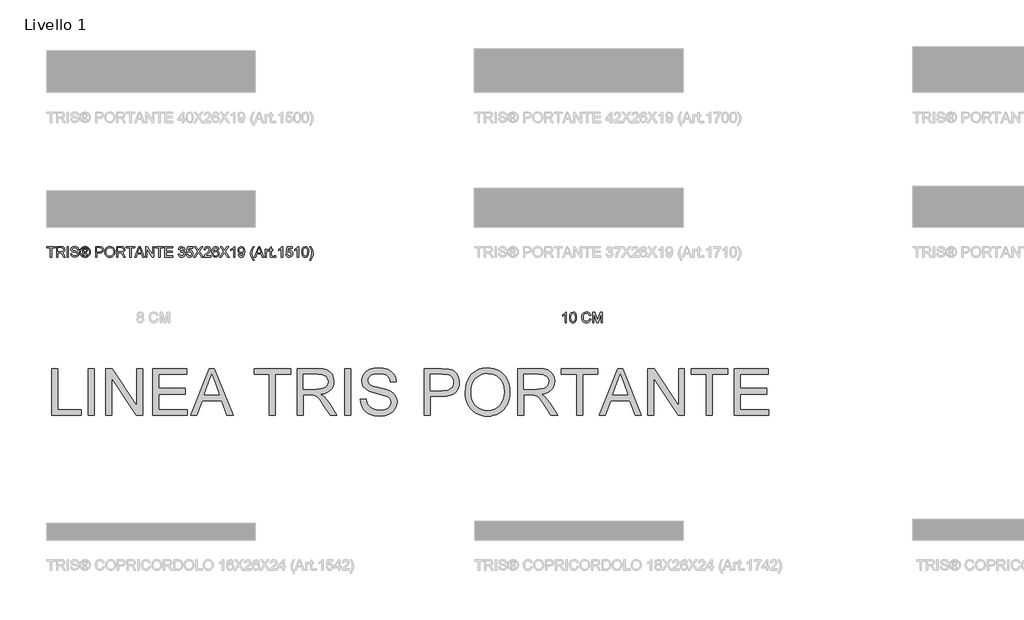
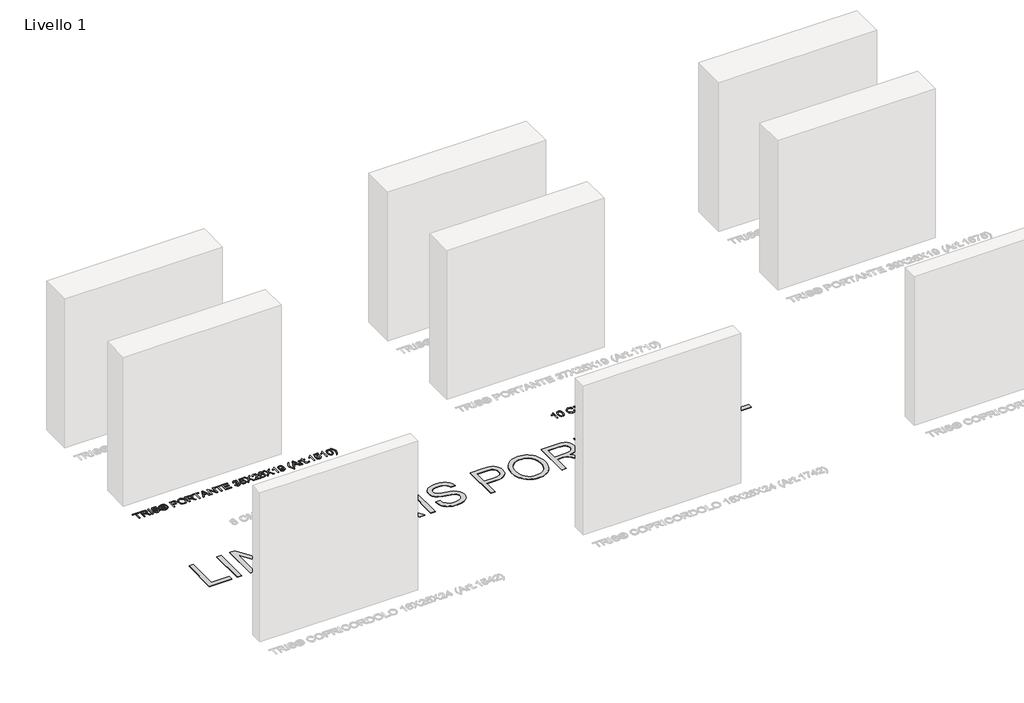
# One storey, part 4 of 19: 3 proxies.
"""IFC4 building model written with IfcOpenShell, lengths in millimetres."""

from ifc_helpers import new_model, si_unit, origin, origin_with_axes, place, context, project, spatial, polyline, outline, extrude, element, save

model = new_model("IFC4")

# Units and contexts
model_context = context("Model", 3, world=origin())
ifc_project = project(units=[si_unit("LENGTHUNIT", "METRE", prefix="MILLI")], contexts=[model_context])

# Site, building, storey
site = spatial("IfcSite", under=ifc_project)
building = spatial("IfcBuilding", under=site)
storey = spatial("IfcBuildingStorey", under=building, Name="Livello 1", Elevation=0.0)

# Proxies
placement = place(None, origin())
element("IfcBuildingElementProxy", 1, Name="100", ObjectType="100", at=placement, inside=storey, context=model_context, shape_type="SweptSolid", body=[
    extrude(outline(polyline([(-5200.6104208, -56.1057849), (-5200.6104208, 31.7934865), (-5233.5726476, 31.7934865), (-5233.5726476, 44.3505252), (-5155.0911553, 44.3505252), (-5155.0911553, 31.7934865), (-5188.053382, 31.7934865), (-5188.053382, -56.1057849), (-5200.6104208, -56.1057849)])), origin_with_axes(), (0.0, 0.0, 1.0), 5.0),
    extrude(outline(polyline([(-5140.9644866, -56.1057849), (-5140.9644866, 44.3505252), (-5097.6770385, 44.3505252), (-5077.5784189, 41.6404612), (-5066.59101, 32.0510039), (-5062.4829943, 16.8574775), (-5064.1844486, 6.9614518), (-5069.2888112, -1.2423167), (-5077.9493666, -7.2571873), (-5090.3193986, -10.5865194), (-5083.1824879, -15.9575965), (-5073.0044194, -28.8825173), (-5056.2535259, -56.1057849), (-5070.8461784, -56.1057849), (-5083.9182519, -35.283664), (-5093.3605565, -21.5003519), (-5099.9946951, -14.9888406), (-5105.9666462, -12.5976076), (-5113.2507097, -12.1561492), (-5128.4074479, -12.1561492), (-5128.4074479, -56.1057849), (-5140.9644866, -56.1057849)]), holes=[polyline([(-5128.4074479, 0.4008895), (-5100.3012634, 0.4008895), (-5085.9661284, 2.1789858), (-5077.8236735, 7.868894), (-5075.0400331, 16.3914936), (-5080.3497966, 27.4524789), (-5097.1374783, 31.7934865), (-5128.4074479, 31.7934865), (-5128.4074479, 0.4008895)])]), origin_with_axes(), (0.0, 0.0, 1.0), 5.0),
    extrude(outline(polyline([(-5038.9385466, -56.1057849), (-5038.9385466, 44.3505252), (-5026.3815079, 44.3505252), (-5026.3815079, -56.1057849), (-5038.9385466, -56.1057849)])), origin_with_axes(), (0.0, 0.0, 1.0), 5.0),
    extrude(outline(polyline([(-5005.9763199, -21.5739283), (-4993.4192811, -21.5739283), (-4989.3725792, -34.1432298), (-4979.4888162, -42.0894809), (-4964.4301799, -45.118376), (-4951.3090554, -42.8252449), (-4942.8355068, -36.5222), (-4940.0518663, -28.0977024), (-4942.136531, -20.2618159), (-4950.6713933, -14.5596449), (-4968.9551284, -9.7649163), (-4988.6368152, -3.572236), (-4999.3176558, 5.7719667), (-5002.8370602, 18.255429), (-4998.4837899, 32.4679368), (-4985.7673356, 42.4988525), (-4967.1525067, 45.9201551), (-4947.2868789, 42.339437), (-4934.0431271, 31.8180119), (-4929.0644574, 16.097188), (-4941.6214962, 16.097188), (-4943.92689, 23.589718), (-4948.7338814, 28.9975833), (-4966.6619973, 33.3631163), (-4984.6391642, 29.0466342), (-4990.2800214, 18.623311), (-4986.2823704, 9.9167705), (-4965.7790805, 2.9024871), (-4943.559008, -3.4005578), (-4931.4066395, -13.5786263), (-4927.4948276, -27.7788713), (-4931.9952506, -42.8007194), (-4944.9446969, -53.7636029), (-4963.9396706, -57.6754148), (-4986.3682095, -53.4570346), (-5000.5561918, -40.752843), (-5005.9763199, -21.5739283)])), origin_with_axes(), (0.0, 0.0, 1.0), 5.0),
    extrude(outline(polyline([(-4891.3933411, -37.2702268), (-4891.3933411, 25.5149671), (-4871.1107804, 25.5149671), (-4856.0521441, 23.7859217), (-4848.6331905, 17.752657), (-4845.8740756, 8.5923953), (-4850.632016, -3.3269814), (-4863.2381058, -9.0168895), (-4858.3330125, -12.352353), (-4849.7736247, -24.8848663), (-4842.7348159, -37.2702268), (-4853.3298173, -37.2702268), (-4858.8480473, -27.3128874), (-4868.0941481, -12.8919132), (-4876.1139756, -10.5865194), (-4881.975562, -10.5865194), (-4881.975562, -37.2702268), (-4891.3933411, -37.2702268)]), holes=[polyline([(-4881.975562, -1.1687403), (-4870.0561854, -1.1687403), (-4858.4065889, 1.2224927), (-4855.2918547, 7.5623257), (-4856.7879081, 12.1240624), (-4860.9449746, 15.1161693), (-4870.8164749, 16.097188), (-4881.975562, 16.097188), (-4881.975562, -1.1687403)])]), origin_with_axes(), (0.0, 0.0, 1.0), 5.0),
    extrude(outline(polyline([(-4867.824368, 45.9201551), (-4854.930104, 44.246292), (-4842.3424084, 39.2247028), (-4831.2844888, 31.0883793), (-4822.9795527, 20.0703135), (-4817.7832196, 7.3477279), (-4816.0511085, -5.9021553), (-4817.7586941, -19.0355425), (-4822.8814509, -31.653895), (-4831.0852194, -42.6321069), (-4842.0358401, -50.8450724), (-4854.6449955, -55.9678292), (-4867.824368, -57.6754148), (-4880.9853463, -55.9678292), (-4893.5883704, -50.8450724), (-4904.5481881, -42.6321069), (-4912.7795478, -31.653895), (-4917.9298957, -19.0355425), (-4919.6466783, -5.9021553), (-4917.9053702, 7.3477279), (-4912.6814459, 20.0703135), (-4904.3489187, 31.0883793), (-4893.281802, 39.2247028), (-4880.7002378, 44.246292), (-4867.824368, 45.9201551)]), holes=[polyline([(-4867.824368, 36.502376), (-4888.6464889, 31.0209343), (-4897.6749262, 24.3592045), (-4904.5022029, 15.3368985), (-4910.2288993, -5.9021553), (-4904.6125675, -26.9572682), (-4888.8917435, -42.6413039), (-4867.824368, -48.2576357), (-4846.7447296, -42.6413039), (-4831.0606939, -26.9572682), (-4825.4688876, -5.9021553), (-4831.1587958, 15.3368985), (-4837.9676784, 24.3592045), (-4847.0145098, 31.0209343), (-4867.824368, 36.502376)])]), origin_with_axes(), (0.0, 0.0, 1.0), 5.0),
    extrude(outline(polyline([(-4765.8229534, -56.1057849), (-4765.8229534, 44.3505252), (-4728.5932955, 44.3505252), (-4713.5837101, 43.394032), (-4701.3822906, 38.6974052), (-4693.4728277, 28.9853206), (-4690.4807208, 15.2878476), (-4692.5010061, 3.4481787), (-4698.561862, -6.4171901), (-4709.8956931, -13.0758542), (-4727.7349042, -15.2954089), (-4753.2659147, -15.2954089), (-4753.2659147, -56.1057849), (-4765.8229534, -56.1057849)]), holes=[polyline([(-4753.2659147, -2.7383702), (-4726.9991402, -2.7383702), (-4708.5069386, 1.8724175), (-4704.4050543, 7.4213043), (-4703.0377596, 14.8463892), (-4706.2628584, 25.2451869), (-4714.736407, 30.9350951), (-4727.2934458, 31.7934865), (-4753.2659147, 31.7934865), (-4753.2659147, -2.7383702)])]), origin_with_axes(), (0.0, 0.0, 1.0), 5.0),
    extrude(outline(polyline([(-4677.923682, -7.202005), (-4674.5759559, 15.0119361), (-4664.5327774, 31.8180119), (-4649.1982296, 42.3946193), (-4629.9763953, 45.9201551), (-4616.8000885, 44.2646861), (-4604.9849451, 39.2982792), (-4595.1747586, 31.3704222), (-4588.0133224, 20.830603), (-4583.6355267, 8.1877251), (-4582.1762614, -6.0493081), (-4583.7121688, -20.4764137), (-4588.3198908, -33.2971012), (-4595.7449757, -43.8553145), (-4605.7329719, -51.4949973), (-4617.4469477, -56.1303104), (-4630.0499717, -57.6754148), (-4643.4286136, -55.9678292), (-4655.3112021, -50.8450724), (-4665.0968631, -42.7700626), (-4672.1847229, -32.205718), (-4677.923682, -7.202005)]), holes=[polyline([(-4665.3666433, -7.3246324), (-4662.8558487, -23.0393249), (-4655.3234648, -35.0138839), (-4644.0018964, -42.592253), (-4630.1235481, -45.118376), (-4616.0428648, -42.5677275), (-4604.7029023, -34.915782), (-4597.2257007, -22.5733411), (-4594.7333002, -5.9512062), (-4599.0007313, 14.7728128), (-4611.471931, 28.4948112), (-4629.9028189, 33.3631163), (-4643.4102195, 31.0178686), (-4654.8942691, 23.9821254), (-4662.7485497, 11.4649405), (-4665.3666433, -7.3246324)])]), origin_with_axes(), (0.0, 0.0, 1.0), 5.0),
    extrude(outline(polyline([(-4564.9103331, -56.1057849), (-4564.9103331, 44.3505252), (-4521.622885, 44.3505252), (-4501.5242654, 41.6404612), (-4490.5368564, 32.0510039), (-4486.4288408, 16.8574775), (-4488.1302951, 6.9614518), (-4493.2346577, -1.2423167), (-4501.895213, -7.2571873), (-4514.2652451, -10.5865194), (-4507.1283344, -15.9575965), (-4496.9502659, -28.8825173), (-4480.1993724, -56.1057849), (-4494.7920248, -56.1057849), (-4507.8640984, -35.283664), (-4517.306403, -21.5003519), (-4523.9405416, -14.9888406), (-4529.9124927, -12.5976076), (-4537.1965562, -12.1561492), (-4552.3532944, -12.1561492), (-4552.3532944, -56.1057849), (-4564.9103331, -56.1057849)]), holes=[polyline([(-4552.3532944, 0.4008895), (-4524.2471099, 0.4008895), (-4509.9119749, 2.1789858), (-4501.76952, 7.868894), (-4498.9858796, 16.3914936), (-4504.2956431, 27.4524789), (-4521.0833248, 31.7934865), (-4552.3532944, 31.7934865), (-4552.3532944, 0.4008895)])]), origin_with_axes(), (0.0, 0.0, 1.0), 5.0),
    extrude(outline(polyline([(-4439.3399454, -56.1057849), (-4439.3399454, 31.7934865), (-4472.3021722, 31.7934865), (-4472.3021722, 44.3505252), (-4393.8206799, 44.3505252), (-4393.8206799, 31.7934865), (-4426.7829067, 31.7934865), (-4426.7829067, -56.1057849), (-4439.3399454, -56.1057849)])), origin_with_axes(), (0.0, 0.0, 1.0), 5.0),
    extrude(outline(polyline([(-4391.3926587, -56.1057849), (-4351.2935213, 44.3505252), (-4340.6004179, 44.3505252), (-4300.5012805, -56.1057849), (-4313.7695578, -56.1057849), (-4325.2720015, -24.713188), (-4366.6464632, -24.713188), (-4378.1243814, -56.1057849), (-4391.3926587, -56.1057849)]), holes=[polyline([(-4362.0356755, -12.1561492), (-4329.8582637, -12.1561492), (-4338.9081608, 12.5409954), (-4345.9469696, 31.7934865), (-4352.2009635, 14.6992364), (-4362.0356755, -12.1561492)])]), origin_with_axes(), (0.0, 0.0, 1.0), 5.0),
    extrude(outline(polyline([(-4287.0858504, -56.1057849), (-4287.0858504, 44.3505252), (-4273.6458948, 44.3505252), (-4221.1613968, -35.2346131), (-4221.1613968, 44.3505252), (-4208.6043581, 44.3505252), (-4208.6043581, -56.1057849), (-4222.0443136, -56.1057849), (-4274.5288116, 23.5038788), (-4274.5288116, -56.1057849), (-4287.0858504, -56.1057849)])), origin_with_axes(), (0.0, 0.0, 1.0), 5.0),
    extrude(outline(polyline([(-4161.5154627, -56.1057849), (-4161.5154627, 31.7934865), (-4194.4776895, 31.7934865), (-4194.4776895, 44.3505252), (-4115.9961971, 44.3505252), (-4115.9961971, 31.7934865), (-4148.9584239, 31.7934865), (-4148.9584239, -56.1057849), (-4161.5154627, -56.1057849)])), origin_with_axes(), (0.0, 0.0, 1.0), 5.0),
    extrude(outline(polyline([(-4101.8695285, -56.1057849), (-4101.8695285, 44.3505252), (-4029.6665556, 44.3505252), (-4029.6665556, 31.7934865), (-4089.3124898, 31.7934865), (-4089.3124898, 1.9705194), (-4032.8058153, 1.9705194), (-4032.8058153, -10.5865194), (-4089.3124898, -10.5865194), (-4089.3124898, -43.5487462), (-4028.0969258, -43.5487462), (-4028.0969258, -56.1057849), (-4101.8695285, -56.1057849)])), origin_with_axes(), (0.0, 0.0, 1.0), 5.0),
    extrude(outline(polyline([(-3974.729511, -29.4220775), (-3962.1724722, -27.8524477), (-3955.244028, -41.0716741), (-3942.282319, -45.118376), (-3933.6738803, -43.7265558), (-3927.027479, -39.5510951), (-3921.3620962, -25.7677831), (-3926.978428, -12.7815486), (-3941.2522494, -7.6434634), (-3950.0568919, -9.0168895), (-3948.6589403, 3.5401492), (-3946.647852, 3.3929964), (-3932.3985561, 6.99824), (-3927.6528784, 11.5722395), (-3926.0709858, 18.0837508), (-3930.657248, 27.9062), (-3942.4785228, 31.7934865), (-3954.4469503, 27.8694118), (-3960.6028424, 16.097188), (-3973.1598812, 17.6668178), (-3969.4626671, 28.942401), (-3962.8837108, 37.3607673), (-3953.8828646, 42.6030857), (-3942.9199812, 44.3505252), (-3927.7755057, 40.9046972), (-3917.1805042, 31.4869181), (-3913.513947, 18.8195148), (-3916.9965632, 7.2434946), (-3927.2972591, -1.0706384), (-3913.6120489, -9.6545517), (-3908.8050575, -25.9885123), (-3911.2085532, -38.22672), (-3918.4190403, -48.4538394), (-3929.302216, -55.3700209), (-3942.7237774, -57.6754148), (-3954.8638833, -55.7072461), (-3964.7476462, -49.8027401), (-3971.6209081, -40.7712371), (-3974.729511, -29.4220775)])), origin_with_axes(), (0.0, 0.0, 1.0), 5.0),
    extrude(outline(polyline([(-3897.8176485, -29.4220775), (-3885.2606098, -27.8524477), (-3878.9330395, -40.7896312), (-3865.811915, -45.118376), (-3856.8110688, -43.6131255), (-3850.0665656, -39.097374), (-3845.8543167, -32.0922877), (-3844.4502338, -23.1190327), (-3849.7109463, -8.2075492), (-3856.3174938, -4.1056649), (-3865.6157112, -2.7383702), (-3876.6399084, -4.9211367), (-3883.6909799, -10.5865194), (-3896.2480187, -9.0168895), (-3885.2606098, 42.7808954), (-3836.6020845, 42.7808954), (-3836.6020845, 30.2238566), (-3875.1070667, 30.2238566), (-3880.4781438, 2.5591306), (-3871.5079545, 8.0037841), (-3862.1085695, 9.8186686), (-3850.3761996, 7.5684571), (-3840.6365238, 0.8178225), (-3834.0790272, -9.4706107), (-3831.893195, -22.3342178), (-3833.8613637, -34.8912565), (-3839.7658697, -45.6334108), (-3851.0721097, -54.6649138), (-3865.8609659, -57.6754148), (-3878.1942098, -55.7409686), (-3888.0197247, -49.9376301), (-3894.7550309, -40.9398497), (-3897.8176485, -29.4220775)])), origin_with_axes(), (0.0, 0.0, 1.0), 5.0),
    extrude(outline(polyline([(-3827.1843055, -56.1057849), (-3788.4585941, -1.364944), (-3820.9057861, 44.3505252), (-3805.8471497, 44.3505252), (-3787.5756773, 18.623311), (-3781.4197853, 8.5923953), (-3774.2092982, 18.7949893), (-3756.1340295, 44.3505252), (-3740.8546639, 44.3505252), (-3773.3018559, -1.5120968), (-3734.5761445, -56.1057849), (-3749.6347809, -56.1057849), (-3775.4355715, -19.7099929), (-3780.8066486, -12.1561492), (-3786.717286, -20.4457569), (-3811.9049399, -56.1057849), (-3827.1843055, -56.1057849)])), origin_with_axes(), (0.0, 0.0, 1.0), 5.0),
    extrude(outline(polyline([(-3662.3731716, -43.5487462), (-3662.3731716, -56.1057849), (-3728.2976252, -56.1057849), (-3726.9487245, -47.4482953), (-3719.3213045, -34.1187043), (-3703.6004806, -19.5628401), (-3681.9199683, 1.3573827), (-3676.4998402, 15.5821532), (-3681.6134, 27.0968597), (-3694.9675164, 31.7934865), (-3708.8857186, 27.2072242), (-3714.1709565, 14.5275581), (-3726.7279953, 16.097188), (-3723.6837718, 28.2434252), (-3717.1017498, 37.1155127), (-3707.3252858, 42.5417721), (-3694.6977363, 44.3505252), (-3681.9782163, 42.339437), (-3672.2201464, 36.3061723), (-3666.0121377, 27.2930634), (-3663.9428015, 16.3424427), (-3666.1746189, 4.4353287), (-3673.5935725, -7.8764554), (-3691.583002, -25.08107), (-3706.0285017, -37.1598622), (-3711.6938844, -43.5487462), (-3662.3731716, -43.5487462)])), origin_with_axes(), (0.0, 0.0, 1.0), 5.0),
    extrude(outline(polyline([(-3585.4613092, 17.6668178), (-3598.0183479, 16.097188), (-3602.7762884, 26.5695621), (-3615.3578526, 31.7934865), (-3626.6886181, 28.7523286), (-3635.2602686, 17.335724), (-3638.8287239, -5.043764), (-3627.7554759, 4.974889), (-3614.0334775, 8.2490388), (-3602.4329319, 6.01109), (-3592.6963217, -0.7027565), (-3586.0928399, -10.9605328), (-3583.8916793, -23.8302712), (-3588.0364831, -41.1575132), (-3599.440825, -53.4202464), (-3615.8974129, -57.6754148), (-3630.1436432, -54.8549861), (-3641.489737, -46.3937003), (-3648.9117563, -31.4576912), (-3651.3857627, -9.2130933), (-3648.6389105, 15.796751), (-3640.3983538, 32.8971324), (-3629.1472961, 41.487177), (-3614.5730377, 44.3505252), (-3603.554972, 42.5785603), (-3594.7319354, 37.2626655), (-3588.5515179, 28.8197737), (-3585.4613092, 17.6668178)]), holes=[polyline([(-3638.8287239, -23.6340675), (-3635.9224562, -34.5111118), (-3628.1969343, -42.408312), (-3616.8784316, -45.118376), (-3608.5918896, -43.7142931), (-3602.0773126, -39.5020442), (-3597.8558667, -32.8801683), (-3596.4487181, -24.2472041), (-3597.8374726, -15.9606622), (-3602.0037362, -9.6422889), (-3608.6286778, -5.6415722), (-3617.3934664, -4.308), (-3632.5869928, -9.6422889), (-3637.2682911, -15.807378), (-3638.8287239, -23.6340675)])]), origin_with_axes(), (0.0, 0.0, 1.0), 5.0),
    extrude(outline(polyline([(-3579.1827898, -56.1057849), (-3540.4570784, -1.364944), (-3572.9042704, 44.3505252), (-3557.8456341, 44.3505252), (-3539.5741616, 18.623311), (-3533.4182696, 8.5923953), (-3526.2077825, 18.7949893), (-3508.1325138, 44.3505252), (-3492.8531483, 44.3505252), (-3525.3003402, -1.5120968), (-3486.5746289, -56.1057849), (-3501.6332652, -56.1057849), (-3527.4340558, -19.7099929), (-3532.8051329, -12.1561492), (-3538.7157703, -20.4457569), (-3563.9034243, -56.1057849), (-3579.1827898, -56.1057849)])), origin_with_axes(), (0.0, 0.0, 1.0), 5.0),
    extrude(outline(polyline([(-3431.6375843, -56.1057849), (-3444.194623, -56.1057849), (-3444.194623, 22.1795036), (-3456.0894742, 13.705955), (-3469.3087006, 7.366122), (-3469.3087006, 19.2364477), (-3450.9023381, 30.9841461), (-3439.7309881, 44.3505252), (-3431.6375843, 44.3505252), (-3431.6375843, -56.1057849)])), origin_with_axes(), (0.0, 0.0, 1.0), 5.0),
    extrude(outline(polyline([(-3400.2449873, -30.9917074), (-3387.6879486, -29.4220775), (-3382.0470913, -41.4027679), (-3371.353988, -45.118376), (-3361.1881822, -42.727143), (-3354.2965261, -36.3382591), (-3350.1885105, -25.4244265), (-3348.373626, -10.8562995), (-3348.4472024, -8.4037529), (-3358.4903809, -17.9196338), (-3372.2614302, -21.5739283), (-3383.7117573, -19.3421109), (-3393.2429667, -12.6466586), (-3399.6717046, -2.3030431), (-3401.8146172, 10.8732637), (-3399.5674713, 24.4848975), (-3392.8260338, 35.1534753), (-3382.7000818, 42.0512628), (-3370.2993929, 44.3505252), (-3352.4080652, 39.1020754), (-3340.0962811, 24.141541), (-3335.8901636, -3.9646435), (-3340.0840184, -34.4620609), (-3345.2987457, -44.4531227), (-3352.555218, -51.7402519), (-3361.5407358, -56.1916241), (-3371.9425992, -57.6754148), (-3382.6786221, -55.9249096), (-3391.2441412, -50.6733941), (-3397.2344863, -42.2519621), (-3400.2449873, -30.9917074)]), holes=[polyline([(-3348.4472024, 11.1675693), (-3349.8022344, 19.6779061), (-3353.8673305, 26.2262056), (-3360.1765067, 30.4016662), (-3368.2637792, 31.7934865), (-3376.6514887, 30.2943673), (-3383.3714665, 25.7970099), (-3387.7860504, 18.9145509), (-3389.2575784, 10.260127), (-3387.8657582, 2.5008826), (-3383.6902975, -3.6580751), (-3377.1358667, -7.6771859), (-3368.6071357, -9.0168895), (-3354.1248479, -3.6580751), (-3349.8666138, 2.7277432), (-3348.4472024, 11.1675693)])]), origin_with_axes(), (0.0, 0.0, 1.0), 5.0),
    extrude(outline(polyline([(-3257.4086713, -84.3591222), (-3275.2386854, -54.9040371), (-3280.701733, -37.7239479), (-3282.5227489, -19.9307221), (-3277.0780953, 10.6034835), (-3257.4086713, 44.3505252), (-3247.9908923, 44.3505252), (-3259.7385906, 24.460372), (-3266.8019249, 5.1833555), (-3269.9657101, -20.0042985), (-3264.4720056, -52.193973), (-3247.9908923, -84.3591222), (-3257.4086713, -84.3591222)])), origin_with_axes(), (0.0, 0.0, 1.0), 5.0),
    extrude(outline(polyline([(-3245.5628711, -56.1057849), (-3205.4637336, 44.3505252), (-3194.7706303, 44.3505252), (-3154.6714928, -56.1057849), (-3167.9397701, -56.1057849), (-3179.4422138, -24.713188), (-3220.8166756, -24.713188), (-3232.2945938, -56.1057849), (-3245.5628711, -56.1057849)]), holes=[polyline([(-3216.2058879, -12.1561492), (-3184.028476, -12.1561492), (-3193.0783731, 12.5409954), (-3200.117182, 31.7934865), (-3206.3711759, 14.6992364), (-3216.2058879, -12.1561492)])]), origin_with_axes(), (0.0, 0.0, 1.0), 5.0),
    extrude(outline(polyline([(-3142.8256926, -56.1057849), (-3142.8256926, 17.6668178), (-3131.8382837, 17.6668178), (-3131.8382837, 6.7529853), (-3124.0391854, 16.8084265), (-3116.1910361, 19.2364477), (-3103.5849464, 15.361424), (-3107.7788012, 4.104235), (-3116.6079691, 6.6794089), (-3123.7080916, 4.2023368), (-3128.2330401, -2.6647938), (-3130.2686538, -17.3310226), (-3130.2686538, -56.1057849), (-3142.8256926, -56.1057849)])), origin_with_axes(), (0.0, 0.0, 1.0), 5.0),
    extrude(outline(polyline([(-3069.0530898, -45.6334108), (-3067.48346, -56.4736669), (-3076.8767136, -57.6754148), (-3087.3981386, -55.5907501), (-3092.6465884, -50.1215711), (-3094.1671673, -35.8722752), (-3094.1671673, 5.1097791), (-3103.5849464, 5.1097791), (-3103.5849464, 17.6668178), (-3094.1671673, 17.6668178), (-3094.1671673, 35.5949337), (-3081.6101286, 42.9770991), (-3081.6101286, 17.6668178), (-3069.0530898, 17.6668178), (-3069.0530898, 5.1097791), (-3081.6101286, 5.1097791), (-3081.6101286, -35.5043932), (-3080.947941, -41.9791163), (-3078.8019627, -44.2722474), (-3074.5222688, -45.118376), (-3069.0530898, -45.6334108)])), origin_with_axes(), (0.0, 0.0, 1.0), 5.0),
    extrude(outline(polyline([(-3053.3567913, -56.1057849), (-3053.3567913, -43.5487462), (-3040.7997526, -43.5487462), (-3040.7997526, -56.1057849), (-3053.3567913, -56.1057849)])), origin_with_axes(), (0.0, 0.0, 1.0), 5.0),
    extrude(outline(polyline([(-2973.3056692, -56.1057849), (-2985.862708, -56.1057849), (-2985.862708, 22.1795036), (-2997.7575591, 13.705955), (-3010.9767855, 7.366122), (-3010.9767855, 19.2364477), (-2992.570423, 30.9841461), (-2981.3990731, 44.3505252), (-2973.3056692, 44.3505252), (-2973.3056692, -56.1057849)])), origin_with_axes(), (0.0, 0.0, 1.0), 5.0),
    extrude(outline(polyline([(-2943.4827021, -29.4220775), (-2930.9256634, -27.8524477), (-2924.598093, -40.7896312), (-2911.4769685, -45.118376), (-2902.4761224, -43.6131255), (-2895.7316191, -39.097374), (-2891.5193703, -32.0922877), (-2890.1152874, -23.1190327), (-2895.3759999, -8.2075492), (-2901.9825474, -4.1056649), (-2911.2807648, -2.7383702), (-2922.3049619, -4.9211367), (-2929.3560335, -10.5865194), (-2941.9130723, -9.0168895), (-2930.9256634, 42.7808954), (-2882.2671381, 42.7808954), (-2882.2671381, 30.2238566), (-2920.7721203, 30.2238566), (-2926.1431974, 2.5591306), (-2917.1730081, 8.0037841), (-2907.7736231, 9.8186686), (-2896.0412532, 7.5684571), (-2886.3015773, 0.8178225), (-2879.7440808, -9.4706107), (-2877.5582486, -22.3342178), (-2879.5264173, -34.8912565), (-2885.4309233, -45.6334108), (-2896.7371633, -54.6649138), (-2911.5260195, -57.6754148), (-2923.8592634, -55.7409686), (-2933.6847783, -49.9376301), (-2940.4200845, -40.9398497), (-2943.4827021, -29.4220775)])), origin_with_axes(), (0.0, 0.0, 1.0), 5.0),
    extrude(outline(polyline([(-2819.4819443, -56.1057849), (-2832.038983, -56.1057849), (-2832.038983, 22.1795036), (-2843.9338342, 13.705955), (-2857.1530606, 7.366122), (-2857.1530606, 19.2364477), (-2838.7466981, 30.9841461), (-2827.5753482, 44.3505252), (-2819.4819443, 44.3505252), (-2819.4819443, -56.1057849)])), origin_with_axes(), (0.0, 0.0, 1.0), 5.0),
    extrude(outline(polyline([(-2789.6589772, -6.6869702), (-2785.9678945, 22.2162918), (-2775.0050111, 38.8813462), (-2756.6967504, 44.3505252), (-2742.0305216, 41.1131637), (-2731.901504, 31.7812237), (-2726.015392, 16.9187911), (-2723.7345237, -6.6869702), (-2727.3888182, -35.467605), (-2738.3149134, -52.1694476), (-2746.5462731, -56.298923), (-2756.6967504, -57.6754148), (-2769.7442985, -55.2841818), (-2779.6525869, -48.1104829), (-2787.1573796, -31.1204661), (-2789.6589772, -6.6869702)]), holes=[polyline([(-2777.1019384, -6.6624448), (-2775.6304105, -26.4146422), (-2771.2158265, -37.8465752), (-2764.6430015, -43.3004258), (-2756.6967504, -45.118376), (-2748.7504993, -43.2942944), (-2742.1776744, -37.8220498), (-2737.7630904, -26.3839854), (-2736.2915624, -6.6624448), (-2737.7140395, 12.6452286), (-2741.9814706, 24.1660664), (-2748.5420329, 29.8866314), (-2756.8439032, 31.7934865), (-2764.7043152, 30.113492), (-2771.0196228, 25.0735087), (-2775.5813595, 12.835301), (-2777.1019384, -6.6624448)])]), origin_with_axes(), (0.0, 0.0, 1.0), 5.0),
    extrude(outline(polyline([(-2706.4685954, -84.3591222), (-2715.8863744, -84.3591222), (-2699.4052611, -52.193973), (-2693.9115566, -20.0042985), (-2697.0753418, 4.9626263), (-2704.0650997, 24.2641683), (-2715.8863744, 44.3505252), (-2706.4685954, 44.3505252), (-2686.7991714, 10.6034835), (-2681.3545178, -19.9307221), (-2683.1847307, -37.7239479), (-2688.6753695, -54.9040371), (-2706.4685954, -84.3591222)])), origin_with_axes(), (0.0, 0.0, 1.0), 5.0),
])
element("IfcBuildingElementProxy", 2, Name="100", ObjectType="100", at=placement, inside=storey, context=model_context, shape_type="SweptSolid", body=[
    extrude(outline(polyline([(-254.5753116, -683.9348646), (-267.1323503, -683.9348646), (-267.1323503, -605.649576), (-279.0272015, -614.1231247), (-292.2464279, -620.4629577), (-292.2464279, -608.592632), (-273.8400654, -596.8449336), (-262.6687155, -583.4785545), (-254.5753116, -583.4785545), (-254.5753116, -683.9348646)])), origin_with_axes(), (0.0, 0.0, 1.0), 5.0),
    extrude(outline(polyline([(-224.7523445, -634.5160499), (-221.0612618, -605.6127878), (-210.0983783, -588.9477335), (-191.7901177, -583.4785545), (-177.1238888, -586.715916), (-166.9948712, -596.047856), (-161.1087593, -610.9102886), (-158.827891, -634.5160499), (-162.4821854, -663.2966847), (-173.4082807, -679.9985273), (-181.6396403, -684.1280027), (-191.7901177, -685.5044945), (-204.8376658, -683.1132615), (-214.7459542, -675.9395626), (-222.2507469, -658.9495458), (-224.7523445, -634.5160499)]), holes=[polyline([(-212.1953057, -634.4915245), (-210.7237777, -654.2437219), (-206.3091938, -665.6756549), (-199.7363688, -671.1295055), (-191.7901177, -672.9474557), (-183.8438666, -671.1233741), (-177.2710416, -665.6511295), (-172.8564577, -654.2130651), (-171.3849297, -634.4915245), (-172.8074068, -615.1838511), (-177.0748379, -603.6630133), (-183.6354002, -597.9424482), (-191.9372705, -596.0355932), (-199.7976825, -597.7155877), (-206.1129901, -602.755571), (-210.6747268, -614.9937787), (-212.1953057, -634.4915245)])]), origin_with_axes(), (0.0, 0.0, 1.0), 5.0),
    extrude(outline(polyline([(-33.2575033, -648.2257856), (-20.7004645, -651.4631472), (-26.4946059, -666.0956535), (-35.5874226, -676.7856912), (-47.5313247, -683.3247936), (-61.8787225, -685.5044945), (-76.4437838, -683.8551568), (-88.0106069, -678.907144), (-96.876563, -670.8321342), (-103.3390233, -659.8018057), (-108.5997359, -632.9464201), (-107.1128795, -618.2985853), (-102.6523103, -605.649576), (-95.4510202, -595.4009968), (-85.7420012, -587.9544521), (-74.2272948, -583.4203065), (-61.6089424, -581.9089246), (-47.8409587, -583.8648306), (-36.4580766, -589.7325484), (-27.8159154, -599.1503275), (-22.2700943, -611.7564172), (-34.8271331, -614.7485241), (-45.127829, -599.309743), (-62.0994517, -594.4659634), (-81.7443502, -599.8370405), (-92.8421238, -614.2580147), (-96.0426971, -632.9218946), (-92.2535126, -654.5533559), (-80.4567632, -668.3734562), (-63.1295213, -672.9474557), (-52.6479501, -671.3900886), (-43.9138184, -666.7179872), (-37.3195336, -658.9802026), (-33.2575033, -648.2257856)])), origin_with_axes(), (0.0, 0.0, 1.0), 5.0),
    extrude(outline(polyline([(-3.4345362, -683.9348646), (-3.4345362, -583.4785545), (18.1723997, -583.4785545), (38.7247405, -654.2835758), (42.8695443, -669.072432), (47.3577046, -653.0573025), (67.5666889, -583.4785545), (89.1736247, -583.4785545), (89.1736247, -683.9348646), (76.616586, -683.9348646), (76.616586, -596.0355932), (51.3798811, -683.9348646), (34.3592074, -683.9348646), (9.1225026, -596.0355932), (9.1225026, -683.9348646), (-3.4345362, -683.9348646)])), origin_with_axes(), (0.0, 0.0, 1.0), 5.0),
])
element("IfcBuildingElementProxy", 3, Name="450mm", ObjectType="450mm", at=placement, inside=storey, context=model_context, shape_type="SweptSolid", body=[
    extrude(outline(polyline([(-5187.5307666, -1573.5519199), (-5187.5307666, -1123.895777), (-5131.3237488, -1123.895777), (-5131.3237488, -1517.344902), (-4906.4956774, -1517.344902), (-4906.4956774, -1573.5519199), (-5187.5307666, -1573.5519199)])), origin_with_axes(), (0.0, 0.0, 1.0), 5.0),
    extrude(outline(polyline([(-4836.2369051, -1573.5519199), (-4836.2369051, -1123.895777), (-4780.0298872, -1123.895777), (-4780.0298872, -1573.5519199), (-4836.2369051, -1573.5519199)])), origin_with_axes(), (0.0, 0.0, 1.0), 5.0),
    extrude(outline(polyline([(-4667.6158515, -1573.5519199), (-4667.6158515, -1123.895777), (-4607.4567777, -1123.895777), (-4372.5290078, -1480.1297085), (-4372.5290078, -1123.895777), (-4316.3219899, -1123.895777), (-4316.3219899, -1573.5519199), (-4376.4810637, -1573.5519199), (-4611.4088336, -1217.208209), (-4611.4088336, -1573.5519199), (-4667.6158515, -1573.5519199)])), origin_with_axes(), (0.0, 0.0, 1.0), 5.0),
    extrude(outline(polyline([(-4217.9597087, -1573.5519199), (-4217.9597087, -1123.895777), (-3894.769356, -1123.895777), (-3894.769356, -1180.1027949), (-4161.7526908, -1180.1027949), (-4161.7526908, -1313.5944623), (-3908.8211105, -1313.5944623), (-3908.8211105, -1369.8014801), (-4161.7526908, -1369.8014801), (-4161.7526908, -1517.344902), (-3887.7434788, -1517.344902), (-3887.7434788, -1573.5519199), (-4217.9597087, -1573.5519199)])), origin_with_axes(), (0.0, 0.0, 1.0), 5.0),
    extrude(outline(polyline([(-3855.7976933, -1573.5519199), (-3676.3084859, -1123.895777), (-3628.4446972, -1123.895777), (-3448.9554898, -1573.5519199), (-3508.3461083, -1573.5519199), (-3559.8326149, -1433.0343752), (-3745.0303475, -1433.0343752), (-3796.4070748, -1573.5519199), (-3855.7976933, -1573.5519199)]), holes=[polyline([(-3724.3918332, -1376.8273574), (-3580.3613499, -1376.8273574), (-3620.8699233, -1266.2795703), (-3652.3765915, -1180.1027949), (-3680.3703211, -1256.6189891), (-3724.3918332, -1376.8273574)])]), origin_with_axes(), (0.0, 0.0, 1.0), 5.0),
    extrude(outline(polyline([(-3100.8452289, -1573.5519199), (-3100.8452289, -1180.1027949), (-3248.3886507, -1180.1027949), (-3248.3886507, -1123.895777), (-2897.0947892, -1123.895777), (-2897.0947892, -1180.1027949), (-3044.638211, -1180.1027949), (-3044.638211, -1573.5519199), (-3100.8452289, -1573.5519199)])), origin_with_axes(), (0.0, 0.0, 1.0), 5.0),
    extrude(outline(polyline([(-2833.8618941, -1573.5519199), (-2833.8618941, -1123.895777), (-2640.1013735, -1123.895777), (-2588.0248031, -1126.9284311), (-2550.1372112, -1136.0263932), (-2522.4453748, -1152.8226309), (-2500.9560706, -1178.9501119), (-2487.165042, -1211.3487372), (-2482.5680325, -1246.9584079), (-2484.4720178, -1270.0532348), (-2490.1839736, -1291.2543683), (-2499.7039001, -1310.5618082), (-2513.0317971, -1327.9755547), (-2530.3391948, -1342.9398499), (-2551.7976236, -1354.8989359), (-2577.4070833, -1363.8528126), (-2607.167574, -1369.8014801), (-2575.2217885, -1393.8431538), (-2529.6633658, -1451.6968616), (-2454.6840822, -1573.5519199), (-2520.0027846, -1573.5519199), (-2578.5151684, -1480.3492672), (-2620.7802112, -1418.6532828), (-2636.492378, -1400.6631948), (-2650.4755204, -1389.5068702), (-2677.2067877, -1378.8033853), (-2709.8112492, -1376.8273574), (-2777.6548762, -1376.8273574), (-2777.6548762, -1573.5519199), (-2833.8618941, -1573.5519199)]), holes=[polyline([(-2777.6548762, -1320.6203395), (-2651.847762, -1320.6203395), (-2615.7166395, -1318.6305891), (-2587.6817426, -1312.661338), (-2566.5766661, -1302.3146359), (-2551.2350045, -1287.192533), (-2541.8900389, -1268.9005518), (-2538.7750504, -1249.0442152), (-2540.2605019, -1234.669984), (-2544.7168567, -1221.6268271), (-2562.5422757, -1199.5337366), (-2576.1514822, -1191.0326996), (-2593.2118765, -1184.9605303), (-2637.6862283, -1180.1027949), (-2777.6548762, -1180.1027949), (-2777.6548762, -1320.6203395)])]), origin_with_axes(), (0.0, 0.0, 1.0), 5.0),
    extrude(outline(polyline([(-2377.179874, -1573.5519199), (-2377.179874, -1123.895777), (-2320.9728562, -1123.895777), (-2320.9728562, -1573.5519199), (-2377.179874, -1573.5519199)])), origin_with_axes(), (0.0, 0.0, 1.0), 5.0),
    extrude(outline(polyline([(-2229.6364522, -1418.9826208), (-2173.4294343, -1418.9826208), (-2166.9798986, -1450.1736734), (-2155.3158446, -1475.2445283), (-2137.1199203, -1495.1420322), (-2111.0747739, -1510.8130318), (-2079.2387677, -1520.9813424), (-2043.6702642, -1524.3707792), (-2012.3557098, -1521.8046873), (-1984.9383217, -1514.1064117), (-1962.7217294, -1501.9209059), (-1947.0095626, -1485.8931235), (-1937.664597, -1467.491363), (-1934.5496084, -1448.183923), (-1936.8824192, -1429.37049), (-1943.8808516, -1413.1094265), (-1958.0972751, -1399.2360635), (-1982.0840591, -1387.5857319), (-2063.9245509, -1366.1238725), (-2117.6478114, -1351.9211715), (-2152.0224646, -1338.4045913), (-2180.0024718, -1319.4951014), (-2199.8313636, -1296.5786659), (-2211.6463642, -1270.1492917), (-2215.5846977, -1240.700986), (-2210.7132399, -1207.7809089), (-2196.0988663, -1177.0838633), (-2172.1258047, -1151.0661616), (-2139.1782828, -1132.1841166), (-2099.6302785, -1120.698454), (-2055.85577, -1116.8698998), (-2008.4310987, -1120.8768454), (-1966.9345113, -1132.8976822), (-1932.8480288, -1152.6854068), (-1907.6536722, -1179.9930156), (-1891.7082242, -1213.1189289), (-1885.3684678, -1250.3615672), (-1941.5754857, -1250.3615672), (-1945.3354278, -1232.4263689), (-1951.8947429, -1216.8239814), (-1961.2534309, -1203.5544046), (-1973.4114919, -1192.6176387), (-1988.5953457, -1184.0685732), (-2007.0314122, -1177.9620979), (-2053.6601834, -1173.0769177), (-2101.3867479, -1177.9072083), (-2119.6307005, -1183.9450715), (-2134.1284335, -1192.39808), (-2153.0653683, -1213.7227152), (-2157.799602, -1225.8876374), (-2159.3776798, -1239.054296), (-2154.9041721, -1260.6533796), (-2141.4836488, -1278.0259588), (-2109.7574219, -1293.5597342), (-2049.7081274, -1309.4228477), (-1987.7376947, -1324.490061), (-1950.2480529, -1337.6361359), (-1918.2062104, -1358.0276468), (-1895.852394, -1383.1945586), (-1882.7200414, -1412.862423), (-1878.3425906, -1446.7567917), (-1883.3787174, -1481.4058933), (-1898.487098, -1513.9966324), (-1923.0502234, -1542.0452516), (-1956.4505851, -1563.0679937), (-1996.6160981, -1576.2003462), (-2041.4746776, -1580.5777971), (-2096.5427348, -1575.8572858), (-2141.8678764, -1561.695752), (-2161.0072168, -1551.0608793), (-2177.9715542, -1538.038306), (-2192.7608885, -1522.6280323), (-2205.3752198, -1504.8300582), (-2222.9673578, -1464.3763744), (-2229.6364522, -1418.9826208)])), origin_with_axes(), (0.0, 0.0, 1.0), 5.0),
    extrude(outline(polyline([(-1618.385133, -1573.5519199), (-1618.385133, -1123.895777), (-1451.7401074, -1123.895777), (-1384.5551564, -1128.177171), (-1354.5991213, -1136.1773398), (-1329.9399389, -1149.199913), (-1310.0836022, -1167.8349546), (-1294.5361044, -1192.6725284), (-1284.4912955, -1221.9698875), (-1281.1430259, -1253.9842851), (-1283.403794, -1281.5869259), (-1290.1860984, -1306.9802575), (-1301.4899389, -1330.1642802), (-1317.3153157, -1351.1389937), (-1339.0413316, -1368.5252954), (-1368.0470894, -1380.9440823), (-1404.3325891, -1388.3953544), (-1447.8978308, -1390.8791118), (-1562.1781152, -1390.8791118), (-1562.1781152, -1573.5519199), (-1618.385133, -1573.5519199)]), holes=[polyline([(-1562.1781152, -1334.672094), (-1444.6044509, -1334.672094), (-1394.7646343, -1329.5124654), (-1376.1844824, -1323.0629296), (-1361.8308347, -1314.0335796), (-1351.1204887, -1302.6645576), (-1343.4702415, -1289.1960058), (-1338.8800932, -1273.6279243), (-1337.3500438, -1255.9603131), (-1340.9590393, -1230.7110668), (-1351.7860259, -1209.4138765), (-1368.4862067, -1193.386094), (-1389.714785, -1183.9450715), (-1445.9218029, -1180.1027949), (-1562.1781152, -1180.1027949), (-1562.1781152, -1334.672094)])]), origin_with_axes(), (0.0, 0.0, 1.0), 5.0),
    extrude(outline(polyline([(-1224.9360081, -1354.6519324), (-1221.1897884, -1301.9098247), (-1209.9511293, -1255.2193026), (-1191.2200308, -1214.5803663), (-1164.9964929, -1179.9930156), (-1132.8517323, -1152.3766524), (-1096.3569658, -1132.6506787), (-1055.5121931, -1120.8150945), (-1010.3174145, -1116.8698998), (-980.0663474, -1118.722426), (-951.3384685, -1124.2800047), (-924.1337779, -1133.5426358), (-898.4522755, -1146.5103194), (-875.0143881, -1162.7919665), (-854.5405428, -1181.9964884), (-837.0307393, -1204.1238849), (-822.4849779, -1229.1741562), (-811.054205, -1256.5778219), (-802.8893672, -1285.7654017), (-797.9904645, -1316.7368957), (-796.3574969, -1349.4923038), (-798.0762296, -1382.679968), (-803.2324276, -1414.0699957), (-811.8260909, -1443.6623868), (-823.8572195, -1471.4571413), (-839.0410734, -1496.72011), (-857.0929122, -1518.7171436), (-878.0127361, -1537.4482421), (-901.8005451, -1552.9134055), (-927.5197841, -1565.0165768), (-954.2338984, -1573.6616992), (-981.9428878, -1578.8487726), (-1010.6467525, -1580.5777971), (-1041.4261326, -1578.6669506), (-1070.531378, -1572.9344111), (-1097.9624885, -1563.3801786), (-1123.7194642, -1550.0042532), (-1147.1299067, -1533.324656), (-1167.5214176, -1513.8594082), (-1184.8939968, -1491.6085099), (-1199.2476444, -1466.5719611), (-1210.4863035, -1439.7549287), (-1218.5139171, -1412.1625798), (-1223.3304853, -1383.7949143), (-1224.9360081, -1354.6519324)]), holes=[polyline([(-1168.7289902, -1355.200829), (-1165.9193254, -1392.4640509), (-1157.4903311, -1425.5419358), (-1143.4420073, -1454.4344837), (-1123.7743539, -1479.1416946), (-1099.8664738, -1498.9294191), (-1073.0974698, -1513.0635081), (-1043.4673421, -1521.5439614), (-1010.9760905, -1524.3707792), (-977.929081, -1521.5165166), (-947.9490317, -1512.9537287), (-921.0359424, -1498.6824156), (-897.1898131, -1478.7025772), (-877.6662451, -1453.4739145), (-863.7208394, -1423.4561285), (-855.3535959, -1388.6492192), (-852.5645148, -1349.0531864), (-857.3399157, -1299.2957043), (-871.6661185, -1256.2896511), (-895.1726179, -1221.1190977), (-927.4889087, -1194.868115), (-966.4742939, -1178.524717), (-1009.9880765, -1173.0769177), (-1041.3506593, -1175.7013298), (-1070.4490435, -1183.5745663), (-1097.2832289, -1196.696627), (-1121.8532155, -1215.067512), (-1142.361367, -1239.5723173), (-1157.0100465, -1271.0961385), (-1165.7992543, -1309.6389757), (-1168.7289902, -1355.200829)])]), origin_with_axes(), (0.0, 0.0, 1.0), 5.0),
    extrude(outline(polyline([(-719.0728474, -1573.5519199), (-719.0728474, -1123.895777), (-525.3123269, -1123.895777), (-473.2357564, -1126.9284311), (-435.3481645, -1136.0263932), (-407.6563281, -1152.8226309), (-386.1670239, -1178.9501119), (-372.3759953, -1211.3487372), (-367.7789858, -1246.9584079), (-369.6829711, -1270.0532348), (-375.3949269, -1291.2543683), (-384.9148534, -1310.5618082), (-398.2427504, -1327.9755547), (-415.5501481, -1342.9398499), (-437.0085769, -1354.8989359), (-462.6180366, -1363.8528126), (-492.3785273, -1369.8014801), (-460.4327418, -1393.8431538), (-414.8743191, -1451.6968616), (-339.8950355, -1573.5519199), (-405.2137379, -1573.5519199), (-463.7261218, -1480.3492672), (-505.9911645, -1418.6532828), (-521.7033313, -1400.6631948), (-535.6864737, -1389.5068702), (-562.417741, -1378.8033853), (-595.0222025, -1376.8273574), (-662.8658295, -1376.8273574), (-662.8658295, -1573.5519199), (-719.0728474, -1573.5519199)]), holes=[polyline([(-662.8658295, -1320.6203395), (-537.0587154, -1320.6203395), (-500.9275928, -1318.6305891), (-472.892696, -1312.661338), (-451.7876194, -1302.3146359), (-436.4459578, -1287.192533), (-427.1009922, -1268.9005518), (-423.9860037, -1249.0442152), (-425.4714552, -1234.669984), (-429.92781, -1221.6268271), (-447.753229, -1199.5337366), (-461.3624355, -1191.0326996), (-478.4228298, -1184.9605303), (-522.8971816, -1180.1027949), (-662.8658295, -1180.1027949), (-662.8658295, -1320.6203395)])]), origin_with_axes(), (0.0, 0.0, 1.0), 5.0),
    extrude(outline(polyline([(-157.0026689, -1573.5519199), (-157.0026689, -1180.1027949), (-304.5460907, -1180.1027949), (-304.5460907, -1123.895777), (46.7477708, -1123.895777), (46.7477708, -1180.1027949), (-100.795651, -1180.1027949), (-100.795651, -1573.5519199), (-157.0026689, -1573.5519199)])), origin_with_axes(), (0.0, 0.0, 1.0), 5.0),
    extrude(outline(polyline([(57.6159247, -1573.5519199), (237.1051321, -1123.895777), (284.9689207, -1123.895777), (464.4581281, -1573.5519199), (405.0675097, -1573.5519199), (353.5810031, -1433.0343752), (168.3832704, -1433.0343752), (117.0065432, -1573.5519199), (57.6159247, -1573.5519199)]), holes=[polyline([(189.0217848, -1376.8273574), (333.052268, -1376.8273574), (292.5436946, -1266.2795703), (261.0370264, -1180.1027949), (233.0432968, -1256.6189891), (189.0217848, -1376.8273574)])]), origin_with_axes(), (0.0, 0.0, 1.0), 5.0),
    extrude(outline(polyline([(524.5074226, -1573.5519199), (524.5074226, -1123.895777), (584.6664964, -1123.895777), (819.5942663, -1480.1297085), (819.5942663, -1123.895777), (875.8012842, -1123.895777), (875.8012842, -1573.5519199), (815.6422104, -1573.5519199), (580.7144404, -1217.208209), (580.7144404, -1573.5519199), (524.5074226, -1573.5519199)])), origin_with_axes(), (0.0, 0.0, 1.0), 5.0),
    extrude(outline(polyline([(1086.5776011, -1573.5519199), (1086.5776011, -1180.1027949), (939.0341793, -1180.1027949), (939.0341793, -1123.895777), (1290.3280408, -1123.895777), (1290.3280408, -1180.1027949), (1142.784619, -1180.1027949), (1142.784619, -1573.5519199), (1086.5776011, -1573.5519199)])), origin_with_axes(), (0.0, 0.0, 1.0), 5.0),
    extrude(outline(polyline([(1353.5609359, -1573.5519199), (1353.5609359, -1123.895777), (1676.7512886, -1123.895777), (1676.7512886, -1180.1027949), (1409.7679538, -1180.1027949), (1409.7679538, -1313.5944623), (1662.6995341, -1313.5944623), (1662.6995341, -1369.8014801), (1409.7679538, -1369.8014801), (1409.7679538, -1517.344902), (1683.7771658, -1517.344902), (1683.7771658, -1573.5519199), (1353.5609359, -1573.5519199)])), origin_with_axes(), (0.0, 0.0, 1.0), 5.0),
])

save(model, "model.ifc")
